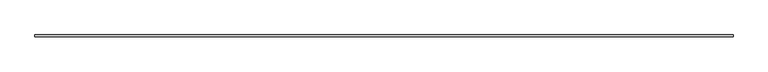
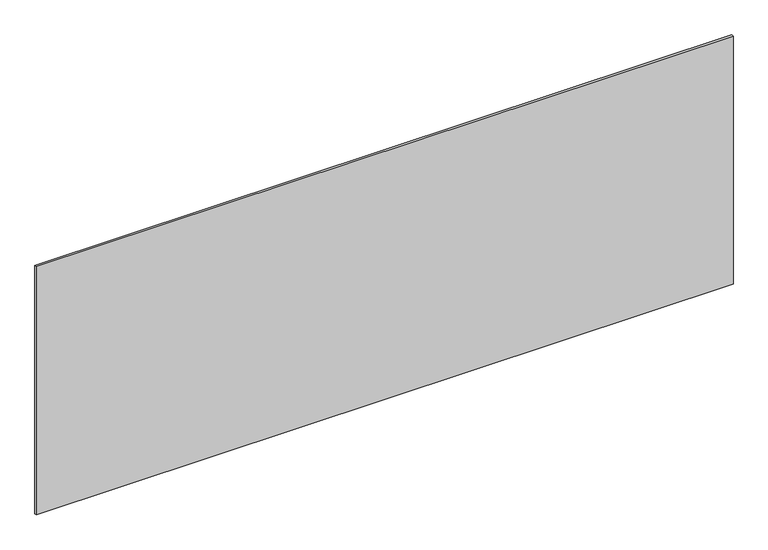
"""IFC4 building model written with IfcOpenShell, lengths in millimetres: plate geometry."""

from ifc_helpers import new_model, si_unit, origin, origin_with_axes, place, context, project, spatial, polyline, outline, extrude, source, transform, mapped, element, save


def plate_c32580d4(model_context):
    return source(origin(), model_context, "Body", "SweptSolid", [
        extrude(outline(polyline([(1697.5, -5.0), (-1697.5, -5.0), (-1697.5, 5.0), (1697.5, 5.0), (1697.5, -5.0)])), origin_with_axes(), (0.0, 0.0, 1.0), 1279.125426),
    ])


if __name__ == "__main__":
    model = new_model("IFC4")
    model_context = context("Model", 3, world=origin())
    ifc_project = project(units=[si_unit("LENGTHUNIT", "METRE", prefix="MILLI")], contexts=[model_context])
    site = spatial("IfcSite", under=ifc_project)
    building = spatial("IfcBuilding", under=site)
    placement = place(None, origin())
    plate_shape = plate_c32580d4(model_context)
    element("IfcPlate", 1, at=placement, inside=building, context=model_context, shape_type="MappedRepresentation", body=[
        mapped(plate_shape, transform((0.0, 0.0, 0.0), x_axis=(1.0, 0.0, 0.0), y_axis=(0.0, 1.0, 0.0), z_axis=(0.0, 0.0, 1.0))),
    ])
    save(model, "model.ifc")
